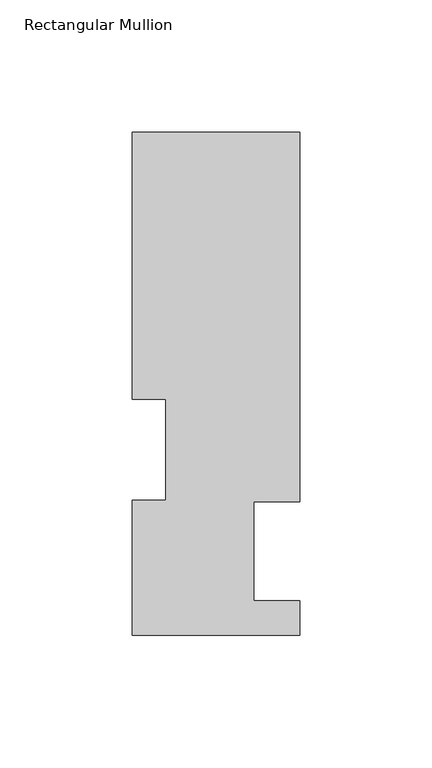
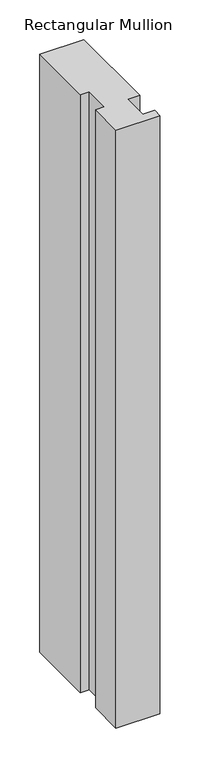
"""IFC4 building model written with IfcOpenShell, lengths in millimetres: member geometry, Rectangular Mullion."""

from ifc_helpers import new_model, si_unit, frame, origin, place, context, project, spatial, polyline, outline, extrude, source, transform, mapped, element, save


def rectangular_mullion_6d89c4d3(model_context):
    return source(origin(), model_context, "Body", "SweptSolid", [
        extrude(outline(polyline([(-31.75, 190.7881313), (31.7500004, 190.7881313), (31.7500004, 50.8087294), (14.2748004, 50.8087294), (14.2748004, 13.3945312), (31.7500004, 13.3945312), (31.7500004, 0.2119312), (-31.7595098, 0.2119312), (-31.7595098, 51.4945315), (-19.05, 51.4945315), (-19.05, 89.5945313), (-31.75, 89.5945313), (-31.75, 190.7881313)])), frame((0.0, 0.0, -914.4), z_axis=(0.0, 0.0, 1.0), x_axis=(1.0, 0.0, 0.0)), (0.0, 0.0, 1.0), 914.4),
    ])


if __name__ == "__main__":
    model = new_model("IFC4")
    model_context = context("Model", 3, world=origin())
    ifc_project = project(units=[si_unit("LENGTHUNIT", "METRE", prefix="MILLI")], contexts=[model_context])
    site = spatial("IfcSite", under=ifc_project)
    building = spatial("IfcBuilding", under=site)
    placement = place(None, origin())
    rectangular_mullion_shape = rectangular_mullion_6d89c4d3(model_context)
    element("IfcMember", 1, ObjectType="Rectangular Mullion", at=placement, inside=building, context=model_context, shape_type="MappedRepresentation", body=[
        mapped(rectangular_mullion_shape, transform((0.0, 0.0, 0.0), x_axis=(1.0, 0.0, 0.0), y_axis=(0.0, 1.0, 0.0), z_axis=(0.0, 0.0, 1.0))),
    ])
    save(model, "model.ifc")
